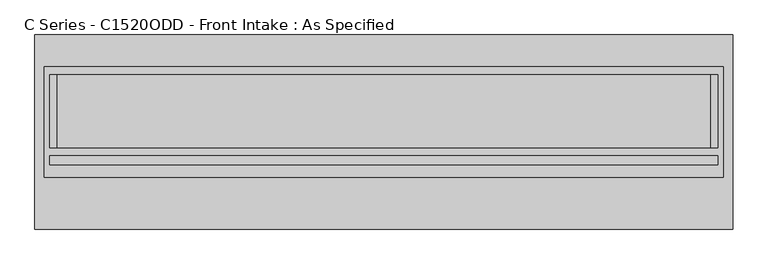
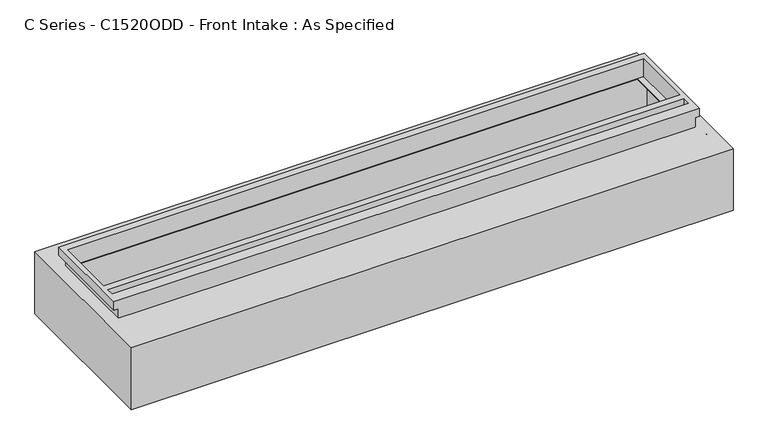
"""IFC4 building model written with IfcOpenShell, lengths in millimetres: proxy geometry, C Series - C1520ODD - Front Intake : As Specified."""

from ifc_helpers import new_model, si_unit, frame, origin, place, context, project, spatial, polyline, circle_curve, faceted_brep, source, transform, mapped, element, save
from ifc_brep_helpers import plane_surface, revolved_surface, advanced_brep


def c_series_c1520odd_front_intake_as_specified_7be443a1(model_context):
    return source(origin(), model_context, "Body", "SolidModel", [
        advanced_brep(
        [(2440.78125, 678.7058594, -530.3242188), (2440.78125, -678.7058594, -530.3242188), (-2440.78125, -678.7058594, -530.3242188), (-2440.78125, 678.7058594, -530.3242188), (2440.78125, 678.7058594, 0.0), (-2440.78125, 678.7058594, 0.0), (-2440.78125, -678.7058594, 0.0), (2440.78125, -678.7058594, 0.0), (2286.0, 399.2065905, 0.0), (2286.0, -108.7933661, 0.0), (-2286.0, -108.7933661, 0.0), (-2286.0, 399.2065905, 0.0), (2440.78125, -318.2441406, -430.3117188), (2440.78125, -340.4691406, -430.3117188), (2440.78125, -216.6441406, -430.3117188), (2440.78125, -238.8691406, -430.3117188), (2440.78125, -318.2441406, -100.1117188), (2440.78125, -340.4691406, -100.1117188), (2440.78125, -216.6441406, -100.1117188), (2440.78125, -238.8691406, -100.1117188), (2374.9, 416.7683594, -527.05), (-2374.9, 416.7683594, -527.05), (-2374.9, -129.3316406, -527.05), (2374.9, -129.3316406, -527.05), (2374.9, 416.7683594, -3.175), (2374.9, -129.3316406, -3.175), (-2374.9, -129.3316406, -3.175), (-2374.9, 416.7683594, -3.175), (2286.0, -108.7933661, -3.175), (2286.0, 399.2065905, -3.175), (-2286.0, 399.2065905, -3.175), (-2286.0, -108.7933661, -3.175), (2424.928271, -340.4691406, -430.3117188), (2424.928271, -318.2441406, -430.3117188), (2424.928271, -238.8691406, -430.3117188), (2424.928271, -216.6441406, -430.3117188), (2424.928271, -340.4691406, -100.1117188), (2424.928271, -318.2441406, -100.1117188), (2424.928271, -238.8691406, -100.1117188), (2424.928271, -216.6441406, -100.1117188)],
        [
            (0, 1),
            (1, 2),
            (2, 3),
            (3, 0),
            (4, 5),
            (5, 6),
            (6, 7),
            (7, 4),
            (8, 9),
            (9, 10),
            (10, 11),
            (11, 8),
            (3, 5),
            (4, 0),
            (2, 6),
            (1, 7),
            (12, 13, circle_curve(frame((2440.78125, -329.3566406, -430.3117188), z_axis=(-1.0, 0.0, 0.0), x_axis=(0.0, 1.0, 0.0)), 11.1125)),
            (13, 12, circle_curve(frame((2440.78125, -329.3566406, -430.3117188), z_axis=(-1.0, 0.0, 0.0), x_axis=(0.0, 1.0, 0.0)), 11.1125)),
            (14, 15, circle_curve(frame((2440.78125, -227.7566406, -430.3117188), z_axis=(-1.0, 0.0, 0.0), x_axis=(0.0, 1.0, 0.0)), 11.1125)),
            (15, 14, circle_curve(frame((2440.78125, -227.7566406, -430.3117188), z_axis=(-1.0, 0.0, 0.0), x_axis=(0.0, 1.0, 0.0)), 11.1125)),
            (16, 17, circle_curve(frame((2440.78125, -329.3566406, -100.1117188), z_axis=(-1.0, 0.0, 0.0), x_axis=(0.0, 1.0, 0.0)), 11.1125)),
            (17, 16, circle_curve(frame((2440.78125, -329.3566406, -100.1117188), z_axis=(-1.0, 0.0, 0.0), x_axis=(0.0, 1.0, 0.0)), 11.1125)),
            (18, 19, circle_curve(frame((2440.78125, -227.7566406, -100.1117188), z_axis=(-1.0, 0.0, 0.0), x_axis=(0.0, 1.0, 0.0)), 11.1125)),
            (19, 18, circle_curve(frame((2440.78125, -227.7566406, -100.1117188), z_axis=(-1.0, 0.0, 0.0), x_axis=(0.0, 1.0, 0.0)), 11.1125)),
            (20, 21),
            (21, 22),
            (22, 23),
            (23, 20),
            (24, 25),
            (25, 26),
            (26, 27),
            (27, 24),
            (28, 29),
            (29, 30),
            (30, 31),
            (31, 28),
            (23, 25),
            (24, 20),
            (22, 26),
            (21, 27),
            (8, 29),
            (28, 9),
            (31, 10),
            (30, 11),
            (32, 33, circle_curve(frame((2424.928271, -329.3566406, -430.3117188), z_axis=(1.0, 0.0, 0.0), x_axis=(0.0, 1.0, 0.0)), 11.1125)),
            (33, 32, circle_curve(frame((2424.928271, -329.3566406, -430.3117188), z_axis=(1.0, 0.0, 0.0), x_axis=(0.0, 1.0, 0.0)), 11.1125)),
            (34, 35, circle_curve(frame((2424.928271, -227.7566406, -430.3117188), z_axis=(1.0, 0.0, 0.0), x_axis=(0.0, 1.0, 0.0)), 11.1125)),
            (35, 34, circle_curve(frame((2424.928271, -227.7566406, -430.3117188), z_axis=(1.0, 0.0, 0.0), x_axis=(0.0, 1.0, 0.0)), 11.1125)),
            (36, 37, circle_curve(frame((2424.928271, -329.3566406, -100.1117188), z_axis=(1.0, 0.0, 0.0), x_axis=(0.0, 1.0, 0.0)), 11.1125)),
            (37, 36, circle_curve(frame((2424.928271, -329.3566406, -100.1117188), z_axis=(1.0, 0.0, 0.0), x_axis=(0.0, 1.0, 0.0)), 11.1125)),
            (38, 39, circle_curve(frame((2424.928271, -227.7566406, -100.1117188), z_axis=(1.0, 0.0, 0.0), x_axis=(0.0, 1.0, 0.0)), 11.1125)),
            (39, 38, circle_curve(frame((2424.928271, -227.7566406, -100.1117188), z_axis=(1.0, 0.0, 0.0), x_axis=(0.0, 1.0, 0.0)), 11.1125)),
            (32, 13),
            (12, 33),
            (34, 15),
            (14, 35),
            (36, 17),
            (16, 37),
            (38, 19),
            (18, 39),
        ],
        [
            plane_surface(frame((-2440.78125, 678.7058594, -530.3242188), z_axis=(0.0, 0.0, -1.0), x_axis=(1.0, 0.0, 0.0))),
            plane_surface(frame((-2440.78125, 678.7058594, 0.0), z_axis=(0.0, 0.0, 1.0), x_axis=(-1.0, 0.0, 0.0))),
            plane_surface(frame((2440.78125, 678.7058594, 0.0), z_axis=(0.0, 1.0, 0.0), x_axis=(0.0, 0.0, -1.0))),
            plane_surface(frame((-2440.78125, 678.7058594, 0.0), z_axis=(-1.0, 0.0, 0.0), x_axis=(0.0, 0.0, -1.0))),
            plane_surface(frame((-2440.78125, -678.7058594, 0.0), z_axis=(0.0, -1.0, 0.0), x_axis=(0.0, 0.0, -1.0))),
            plane_surface(frame((2440.78125, -678.7058594, 0.0), z_axis=(1.0, 0.0, 0.0), x_axis=(0.0, 0.0, -1.0))),
            plane_surface(frame((2374.9, 416.7683594, -527.05), z_axis=(0.0, 0.0, 1.0), x_axis=(0.0, -1.0, 0.0))),
            plane_surface(frame((2374.9, 416.7683594, -3.175), z_axis=(0.0, 0.0, -1.0), x_axis=(0.0, 1.0, 0.0))),
            plane_surface(frame((2374.9, 416.7683594, -527.05), z_axis=(-1.0, 0.0, 0.0), x_axis=(0.0, 0.0, 1.0))),
            plane_surface(frame((2374.9, -129.3316406, -527.05), z_axis=(0.0, 1.0, 0.0), x_axis=(0.0, 0.0, 1.0))),
            plane_surface(frame((-2374.9, -129.3316406, -527.05), z_axis=(1.0, 0.0, 0.0), x_axis=(0.0, 0.0, 1.0))),
            plane_surface(frame((-2374.9, 416.7683594, -527.05), z_axis=(0.0, -1.0, 0.0), x_axis=(0.0, 0.0, 1.0))),
            plane_surface(frame((2286.0, 399.2065905, -25.4), z_axis=(-1.0, 0.0, 0.0), x_axis=(0.0, 0.0, 1.0))),
            plane_surface(frame((2286.0, -108.7933661, -25.4), z_axis=(0.0, 1.0, 0.0), x_axis=(0.0, 0.0, 1.0))),
            plane_surface(frame((-2286.0, -108.7933661, -25.4), z_axis=(1.0, 0.0, 0.0), x_axis=(0.0, 0.0, 1.0))),
            plane_surface(frame((-2286.0, 399.2065905, -25.4), z_axis=(0.0, -1.0, 0.0), x_axis=(0.0, 0.0, 1.0))),
            plane_surface(frame((2424.928271, -318.2441406, -430.3117188), z_axis=(1.0, 0.0, 0.0), x_axis=(0.0, 0.0, -1.0))),
            revolved_surface(polyline([(2440.78125, -318.2441406, -430.3117188), (2424.928271, -318.2441406, -430.3117188)]), (2424.928271, -329.3566406, -430.3117188), (1.0, 0.0, 0.0)),
            revolved_surface(polyline([(2440.78125, -216.6441406, -430.3117188), (2424.928271, -216.6441406, -430.3117188)]), (0.0, -227.7566406, -430.3117188), (1.0, 0.0, 0.0)),
            revolved_surface(polyline([(2440.78125, -318.2441406, -100.1117187), (2424.928271, -318.2441406, -100.1117187)]), (0.0, -329.3566406, -100.1117187), (1.0, 0.0, 0.0)),
            revolved_surface(polyline([(2440.78125, -216.6441406, -100.1117188), (2424.928271, -216.6441406, -100.1117188)]), (0.0, -227.7566406, -100.1117188), (1.0, 0.0, 0.0)),
        ],
        [
            (0, [[1, 2, 3, 4]]),
            (1, [[5, 6, 7, 8], [9, 10, 11, 12]]),
            (2, [[-4, 13, -5, 14]]),
            (3, [[-3, 15, -6, -13]]),
            (4, [[-2, 16, -7, -15]]),
            (5, [[-1, -14, -8, -16], [17, 18], [19, 20], [21, 22], [23, 24]]),
            (6, [[25, 26, 27, 28]]),
            (7, [[29, 30, 31, 32], [33, 34, 35, 36]]),
            (8, [[-28, 37, -29, 38]]),
            (9, [[-27, 39, -30, -37]]),
            (10, [[-26, 40, -31, -39]]),
            (11, [[-25, -38, -32, -40]]),
            (12, [[41, -33, 42, -9]]),
            (13, [[-42, -36, 43, -10]]),
            (14, [[-43, -35, 44, -11]]),
            (15, [[-41, -12, -44, -34]]),
            (16, [[45, 46]]),
            (16, [[47, 48]]),
            (16, [[49, 50]]),
            (16, [[51, 52]]),
            (17, [[-45, 53, -17, 54]]),
            (17, [[-46, -54, -18, -53]]),
            (18, [[-47, 55, -19, 56]]),
            (18, [[-48, -56, -20, -55]]),
            (19, [[-49, 57, -21, 58]]),
            (19, [[-50, -58, -22, -57]]),
            (20, [[-51, 59, -23, 60]]),
            (20, [[-52, -60, -24, -59]]),
        ],
    ),
        faceted_brep([(2374.9, 456.4558594, 152.4), (-2374.9, 456.4558594, 152.4), (-2374.9, -318.2441406, 152.4), (2374.9, -318.2441406, 152.4), (2336.8, 399.2065905, 152.4), (2336.8, -108.7933661, 152.4), (-2336.8, -108.7933661, 152.4), (-2336.8, 399.2065905, 152.4), (2336.8, -167.4316406, 152.4), (2336.8, -227.7566406, 152.4), (-2336.8, -227.7566406, 152.4), (-2336.8, -167.4316406, 152.4), (2339.975, -318.2441406, 0.0), (-2339.975, -318.2441406, 0.0), (-2339.975, 421.5308594, 0.0), (2339.975, 421.5308594, 0.0), (2336.8, -108.7933661, 0.0), (2336.8, 399.2065905, 0.0), (-2336.8, 399.2065905, 0.0), (-2336.8, -108.7933661, 0.0), (2374.9, 456.4558594, 82.55), (-2374.9, 456.4558594, 82.55), (-2374.9, -318.2441406, 82.55), (-2339.975, -318.2441406, 82.55), (2339.975, -318.2441406, 82.55), (2374.9, -318.2441406, 82.55), (2339.975, 421.5308594, 82.55), (-2339.975, 421.5308594, 82.55), (2336.8, -167.4316406, 82.55), (-2336.8, -167.4316406, 82.55), (-2336.8, -227.7566406, 82.55), (2336.8, -227.7566406, 82.55)], [[[0, 1, 2, 3], [4, 5, 6, 7], [8, 9, 10, 11]], [[12, 13, 14, 15], [16, 17, 18, 19]], [[1, 0, 20, 21]], [[2, 1, 21, 22]], [[3, 2, 22, 23, 13, 12, 24, 25]], [[0, 3, 25, 20]], [[24, 26, 27, 23, 22, 21, 20, 25]], [[26, 24, 12, 15]], [[27, 26, 15, 14]], [[23, 27, 14, 13]], [[16, 5, 4, 17]], [[5, 16, 19, 6]], [[6, 19, 18, 7]], [[17, 4, 7, 18]], [[28, 29, 30, 31]], [[28, 31, 9, 8]], [[31, 30, 10, 9]], [[30, 29, 11, 10]], [[29, 28, 8, 11]]]),
    ])


if __name__ == "__main__":
    model = new_model("IFC4")
    model_context = context("Model", 3, world=origin())
    ifc_project = project(units=[si_unit("LENGTHUNIT", "METRE", prefix="MILLI")], contexts=[model_context])
    site = spatial("IfcSite", under=ifc_project)
    building = spatial("IfcBuilding", under=site)
    placement = place(None, origin())
    c_series_c1520odd_front_intake_as_specified_shape = c_series_c1520odd_front_intake_as_specified_7be443a1(model_context)
    element("IfcBuildingElementProxy", 1, Name="C Series - C1520ODD - Front Intake : As Specified", ObjectType="C Series - C1520ODD - Front Intake : As Specified", at=placement, inside=building, context=model_context, shape_type="MappedRepresentation", body=[
        mapped(c_series_c1520odd_front_intake_as_specified_shape, transform((0.0, 0.0, 0.0), x_axis=(1.0, 0.0, 0.0), y_axis=(0.0, 1.0, 0.0), z_axis=(0.0, 0.0, 1.0))),
    ])
    save(model, "model.ifc")
